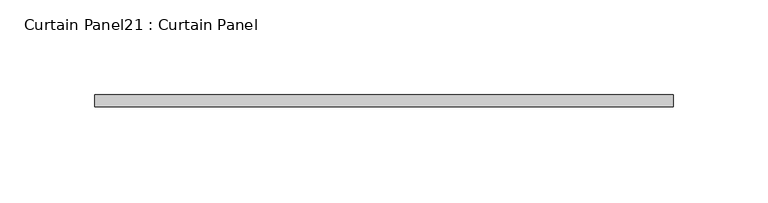
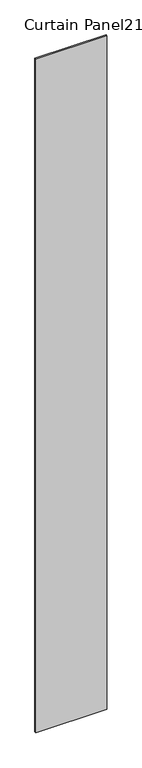
"""IFC4 building model written with IfcOpenShell, lengths in millimetres: plate geometry, Curtain Panel21 : Curtain Panel."""

from ifc_helpers import new_model, si_unit, origin, origin_with_axes, place, context, project, spatial, polyline, outline, extrude, source, transform, mapped, element, save


def curtain_panel21_curtain_panel_9dd73d0d(model_context):
    return source(origin(), model_context, "Body", "SweptSolid", [
        extrude(outline(polyline([(-34417.9329915, 2345.0292916), (-34113.1329915, 2345.0292916), (-34113.1329915, 2338.6792916), (-34417.9329915, 2338.6792916), (-34417.9329915, 2345.0292916)])), origin_with_axes(), (0.0, 0.0, 1.0), 3048.0),
    ])


if __name__ == "__main__":
    model = new_model("IFC4")
    model_context = context("Model", 3, world=origin())
    ifc_project = project(units=[si_unit("LENGTHUNIT", "METRE", prefix="MILLI")], contexts=[model_context])
    site = spatial("IfcSite", under=ifc_project)
    building = spatial("IfcBuilding", under=site)
    placement = place(None, origin())
    curtain_panel21_curtain_panel_shape = curtain_panel21_curtain_panel_9dd73d0d(model_context)
    element("IfcPlate", 1, ObjectType="Curtain Panel21 : Curtain Panel", at=placement, inside=building, context=model_context, shape_type="MappedRepresentation", body=[
        mapped(curtain_panel21_curtain_panel_shape, transform((0.0, 0.0, 0.0), x_axis=(1.0, 0.0, 0.0), y_axis=(0.0, 1.0, 0.0), z_axis=(0.0, 0.0, 1.0))),
    ])
    save(model, "model.ifc")
